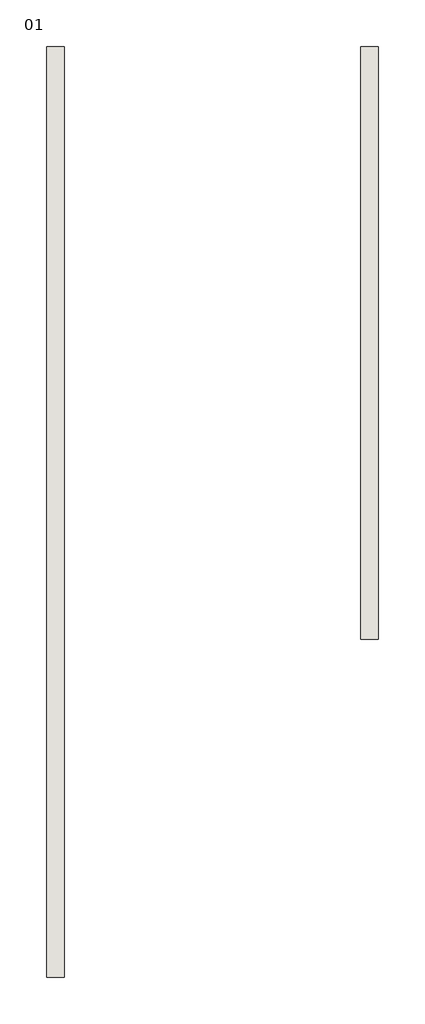
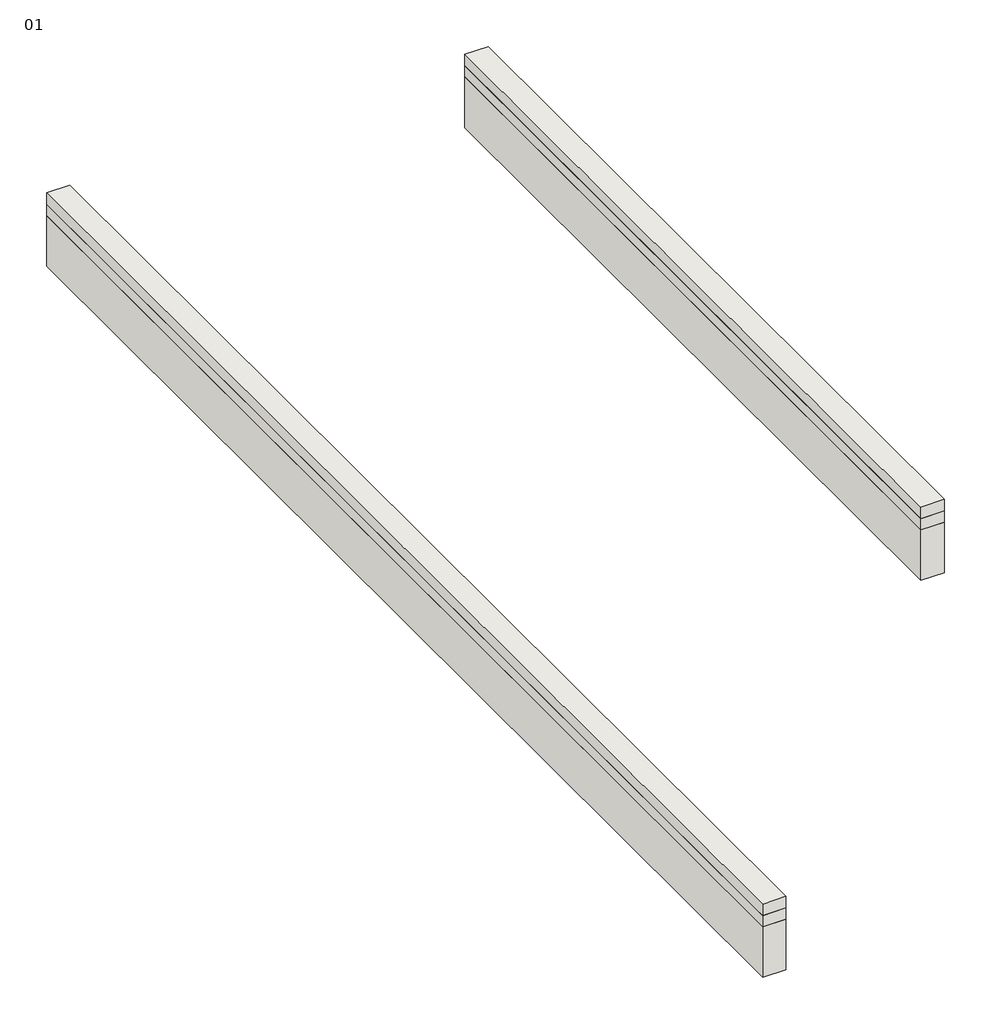
# One storey: 6 walls.
"""IFC4 building model written with IfcOpenShell, lengths in millimetres."""

import ifcopenshell
import ifcopenshell.guid

model = None  # the IFC model being written
_history = None  # IfcOwnerHistory: only IFC2X3 demands one
_inside = {}  # id of a spatial element -> (the spatial element, [elements in it])
_under = {}  # id of a project, library or spatial element -> (it, [spatial elements below it])
_declared = {}  # id of a project -> (the project, [libraries it declares])
_typed = {}  # id of a type object -> (the type object, [elements of that type])
_made_of = {}  # id of a material, layer set ... -> (it, [elements and type objects made of it])


def new_model(schema):
    """Start an empty IFC model of exactly this schema.

    Asked for "IFC4X3", IfcOpenShell would pick the latest addendum, in which some entities
    have other attributes; the version numbers below select the first issue.
    IFC2X3 requires an IfcOwnerHistory on every rooted entity: one is made here for all.
    """
    global model, _history
    if schema == "IFC4X3":
        model = ifcopenshell.file(schema_version=(4, 3, 0, 0))
    else:
        model = ifcopenshell.file(schema=schema)
    _inside.clear()
    _under.clear()
    _declared.clear()
    _typed.clear()
    _made_of.clear()
    _history = None
    if model.schema == "IFC2X3":
        org = make("IfcOrganization", Name="unknown")
        user = make(
            "IfcPersonAndOrganization",
            ThePerson=make("IfcPerson", FamilyName="unknown"),
            TheOrganization=org,
        )
        app = make(
            "IfcApplication",
            ApplicationDeveloper=org,
            Version="unknown",
            ApplicationFullName="unknown",
            ApplicationIdentifier="unknown",
        )
        _history = make(
            "IfcOwnerHistory",
            OwningUser=user,
            OwningApplication=app,
            ChangeAction="ADDED",
            CreationDate=0,
        )
    return model


def make(cls, **values):
    """One entity of the class cls with the attributes given. An attribute that is None is left unset."""
    return model.create_entity(
        cls, **{name: value for name, value in values.items() if value is not None}
    )


def rooted(cls, **values):
    """An entity with a GlobalId (a new one), such as an element, a storey or a relation."""
    return make(cls, GlobalId=ifcopenshell.guid.new(), OwnerHistory=_history, **values)


def si_unit(unit_type, name, prefix=None):
    """IfcSIUnit, for example si_unit("LENGTHUNIT", "METRE", prefix="MILLI")."""
    return make("IfcSIUnit", UnitType=unit_type, Prefix=prefix, Name=name)


def assignment(units):
    """IfcUnitAssignment: the units of a project."""
    return None if units is None else make("IfcUnitAssignment", Units=units)


def point(xyz):
    """IfcCartesianPoint."""
    return None if xyz is None else make("IfcCartesianPoint", Coordinates=xyz)


def direction(xyz):
    """IfcDirection."""
    return None if xyz is None else make("IfcDirection", DirectionRatios=xyz)


def frame(location, z_axis=None, x_axis=None):
    """IfcAxis2Placement3D, a coordinate frame: its origin and axes. An axis left out is left unset."""
    return make(
        "IfcAxis2Placement3D",
        Location=point(location),
        Axis=direction(z_axis),
        RefDirection=direction(x_axis),
    )


def origin():
    """The frame at (0, 0, 0) with its axes left unset."""
    return frame((0.0, 0.0, 0.0))


def origin_with_axes():
    """The frame at (0, 0, 0) with the z axis (0, 0, 1) and the x axis (1, 0, 0) written out."""
    return frame((0.0, 0.0, 0.0), z_axis=(0.0, 0.0, 1.0), x_axis=(1.0, 0.0, 0.0))


def place(relative_to, where):
    """IfcLocalPlacement: puts the frame where relative to a parent placement (None: the world)."""
    return make(
        "IfcLocalPlacement", PlacementRelTo=relative_to, RelativePlacement=where
    )


def context(
    kind, dimensions, precision=None, world=None, true_north=None, identifier=None
):
    """IfcGeometricRepresentationContext, for example the 3D "Model" context."""
    return make(
        "IfcGeometricRepresentationContext",
        ContextIdentifier=identifier,
        ContextType=kind,
        CoordinateSpaceDimension=dimensions,
        Precision=precision,
        WorldCoordinateSystem=world,
        TrueNorth=true_north,
    )


def project(units=None, contexts=None):
    """IfcProject with its units and contexts."""
    return rooted(
        "IfcProject",
        Name="project",
        RepresentationContexts=contexts,
        UnitsInContext=assignment(units),
    )


def spatial(cls, under=None, at=None, **own):
    """A site, building, storey or space (cls), placed at a placement, below another one or the project."""
    s = rooted(cls, ObjectPlacement=at, **own)
    if under is not None:
        _under.setdefault(under.id(), (under, []))[1].append(s)
    return s


def polyline(points):
    """IfcPolyline through the points."""
    return make("IfcPolyline", Points=[point(p) for p in points])


def outline(outer, holes=None, kind="AREA"):
    """IfcArbitraryClosedProfileDef: a profile drawn as a closed curve; with holes, ...WithVoids."""
    if holes is None:
        return make("IfcArbitraryClosedProfileDef", ProfileType=kind, OuterCurve=outer)
    return make(
        "IfcArbitraryProfileDefWithVoids",
        ProfileType=kind,
        OuterCurve=outer,
        InnerCurves=holes,
    )


def extrude(swept, where, along, depth):
    """IfcExtrudedAreaSolid: the profile swept, set in the frame where, extruded along a direction by depth."""
    return make(
        "IfcExtrudedAreaSolid",
        SweptArea=swept,
        Position=where,
        ExtrudedDirection=direction(along),
        Depth=depth,
    )


def shape(context_of_items, identifier, shape_type, items):
    """IfcShapeRepresentation: the items that make up one representation, for example the "Body"."""
    return make(
        "IfcShapeRepresentation",
        ContextOfItems=context_of_items,
        RepresentationIdentifier=identifier,
        RepresentationType=shape_type,
        Items=items,
    )


def made_of(thing, what):
    """Note that an element or type object is made of a material, layer set ...; save() writes the relation."""
    if what is not None:
        _made_of.setdefault(what.id(), (what, []))[1].append(thing)
    return thing


def element(
    cls,
    number,
    at=None,
    inside=None,
    cuts=None,
    type_object=None,
    material=None,
    context=None,
    identifier="Body",
    shape_type=None,
    held_by="IfcProductDefinitionShape",
    body=None,
    shapes=None,
    **own,
):
    """One element of the class cls, such as IfcWall. Its Tag is "e" and its number.

    at: its placement. inside: the storey or other place that contains it. cuts: it is an
    opening in that element (IfcRelVoidsElement). A single representation is given by context,
    identifier, shape_type and body (its items); several are given by shapes. held_by: the class
    of the entity that holds the representations. save() writes the other relations.
    """
    e = rooted(cls, Tag="e%d" % number, ObjectPlacement=at, **own)
    if body is not None:
        shapes = [shape(context, identifier, shape_type, body)]
    if shapes is not None:
        e.Representation = make(held_by, Representations=shapes)
    if inside is not None:
        _inside.setdefault(inside.id(), (inside, []))[1].append(e)
    if cuts is not None:
        rooted(
            "IfcRelVoidsElement", RelatingBuildingElement=cuts, RelatedOpeningElement=e
        )
    if type_object is not None:
        _typed.setdefault(type_object.id(), (type_object, []))[1].append(e)
    return made_of(e, material)


def aggregate(whole, parts):
    """IfcRelAggregates: a whole, such as a stair, and the parts it consists of."""
    return rooted("IfcRelAggregates", RelatingObject=whole, RelatedObjects=parts)


def save(model, path):
    """Write the relations noted so far, then the file.

    IfcRelAggregates (storeys below a building ...), IfcRelContainedInSpatialStructure (elements
    in a storey), IfcRelDefinesByType, IfcRelAssociatesMaterial and IfcRelDeclares: one each for
    every whole, place, type object, material and project.
    """
    for whole, parts in _under.values():
        aggregate(whole, parts)
    for where, things in _inside.values():
        rooted(
            "IfcRelContainedInSpatialStructure",
            RelatedElements=things,
            RelatingStructure=where,
        )
    for kind, things in _typed.values():
        rooted("IfcRelDefinesByType", RelatedObjects=things, RelatingType=kind)
    for what, things in _made_of.values():
        rooted("IfcRelAssociatesMaterial", RelatedObjects=things, RelatingMaterial=what)
    for by, libraries in _declared.values():
        rooted("IfcRelDeclares", RelatingContext=by, RelatedDefinitions=libraries)
    model.write(path)


model = new_model("IFC4")

# Units and contexts
model_context = context("Model", 3, world=origin())
ifc_project = project(units=[si_unit("LENGTHUNIT", "METRE", prefix="MILLI")], contexts=[model_context])

# Site, building, storey
site = spatial("IfcSite", under=ifc_project)
building = spatial("IfcBuilding", under=site)
storey = spatial("IfcBuildingStorey", under=building, Name="01", Elevation=-900.0)

# Walls
placement = place(None, origin())
element("IfcWall", 1, ObjectType="Foundation - 390mm Concrete", at=placement, inside=storey, context=model_context, shape_type="SweptSolid", body=[
    extrude(outline(polyline([(-1539.4754405, 9289.6860014), (-1539.4754405, -11410.3139986), (-1929.4754405, -11410.3139986), (-1929.4754405, 9289.6860014), (-1539.4754405, 9289.6860014)])), frame((0.0, 0.0, -1092.1076302), z_axis=(0.0, 0.0, 1.0), x_axis=(1.0, 0.0, 0.0)), (0.0, 0.0, 1.0), 892.1076302),
])
element("IfcWall", 2, ObjectType="Foundation - 390mm Concrete", at=placement, inside=storey, context=model_context, shape_type="SweptSolid", body=[
    extrude(outline(polyline([(5444.5245595, 9289.6860014), (5444.5245595, -3890.3139986), (5054.5245595, -3890.3139986), (5054.5245595, 9289.6860014), (5444.5245595, 9289.6860014)])), frame((0.0, 0.0, -1092.1076302), z_axis=(0.0, 0.0, 1.0), x_axis=(1.0, 0.0, 0.0)), (0.0, 0.0, 1.0), 892.1076302),
])
element("IfcWall", 3, ObjectType="Foundation - 390mm LW Thermo Block", at=placement, inside=storey, context=model_context, shape_type="SweptSolid", body=[
    extrude(outline(polyline([(-1539.4754405, 9289.6860014), (-1539.4754405, -11410.3139986), (-1929.4754405, -11410.3139986), (-1929.4754405, 9289.6860014), (-1539.4754405, 9289.6860014)])), origin_with_axes(), (0.0, 0.0, 1.0), 200.0),
])
element("IfcWall", 4, ObjectType="Foundation - 390mm LW Thermo Block", at=placement, inside=storey, context=model_context, shape_type="SweptSolid", body=[
    extrude(outline(polyline([(-1539.4754405, 9289.6860014), (-1539.4754405, -11410.3139986), (-1929.4754405, -11410.3139986), (-1929.4754405, 9289.6860014), (-1539.4754405, 9289.6860014)])), frame((0.0, 0.0, -200.0), z_axis=(0.0, 0.0, 1.0), x_axis=(1.0, 0.0, 0.0)), (0.0, 0.0, 1.0), 200.0),
])
element("IfcWall", 5, ObjectType="Foundation - 390mm LW Thermo Block", at=placement, inside=storey, context=model_context, shape_type="SweptSolid", body=[
    extrude(outline(polyline([(5444.5245595, 9289.6860014), (5444.5245595, -3890.3139986), (5054.5245595, -3890.3139986), (5054.5245595, 9289.6860014), (5444.5245595, 9289.6860014)])), origin_with_axes(), (0.0, 0.0, 1.0), 200.0),
])
element("IfcWall", 6, ObjectType="Foundation - 390mm LW Thermo Block", at=placement, inside=storey, context=model_context, shape_type="SweptSolid", body=[
    extrude(outline(polyline([(5444.5245595, 9289.6860014), (5444.5245595, -3890.3139986), (5054.5245595, -3890.3139986), (5054.5245595, 9289.6860014), (5444.5245595, 9289.6860014)])), frame((0.0, 0.0, -200.0), z_axis=(0.0, 0.0, 1.0), x_axis=(1.0, 0.0, 0.0)), (0.0, 0.0, 1.0), 200.0),
])

save(model, "model.ifc")
